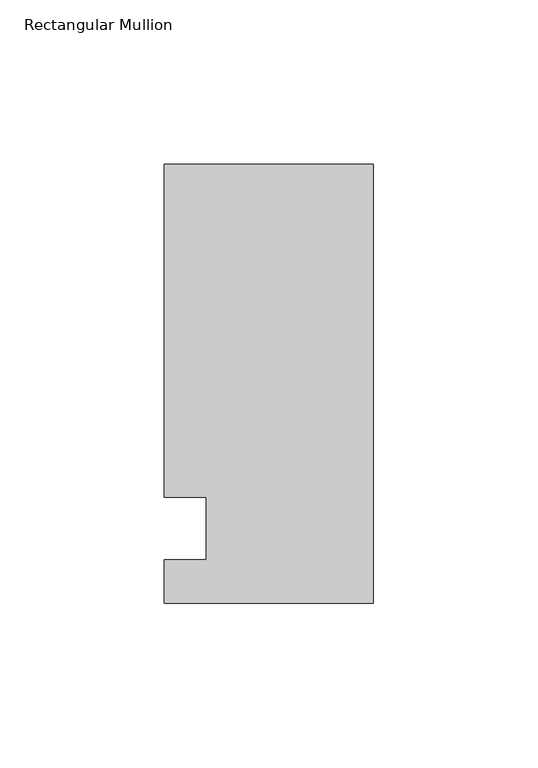
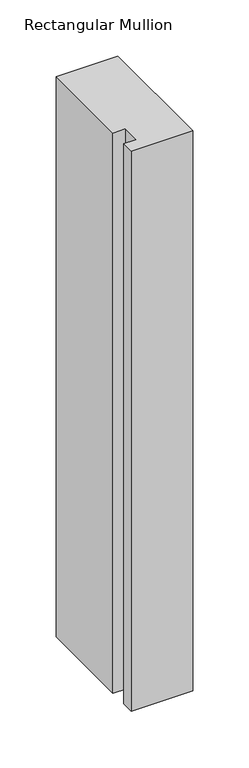
"""IFC4 building model written with IfcOpenShell, lengths in millimetres: member geometry, Rectangular Mullion."""

from ifc_helpers import new_model, si_unit, frame, origin, place, context, project, spatial, polyline, outline, extrude, source, transform, mapped, element, save


def rectangular_mullion_6edadd64(model_context):
    return source(origin(), model_context, "Body", "SweptSolid", [
        extrude(outline(polyline([(-63.5, 133.4396937), (0.0, 133.4396937), (0.0, 0.0134937), (-63.5, 0.0134937), (-63.5, 13.1960937), (-50.8, 13.1960937), (-50.8, 32.2460937), (-63.5, 32.2460938), (-63.5, 133.4396937)])), frame((0.0, 0.0, -609.6), z_axis=(0.0, 0.0, 1.0), x_axis=(1.0, 0.0, 0.0)), (0.0, 0.0, 1.0), 609.6),
    ])


if __name__ == "__main__":
    model = new_model("IFC4")
    model_context = context("Model", 3, world=origin())
    ifc_project = project(units=[si_unit("LENGTHUNIT", "METRE", prefix="MILLI")], contexts=[model_context])
    site = spatial("IfcSite", under=ifc_project)
    building = spatial("IfcBuilding", under=site)
    placement = place(None, origin())
    rectangular_mullion_shape = rectangular_mullion_6edadd64(model_context)
    element("IfcMember", 1, ObjectType="Rectangular Mullion", at=placement, inside=building, context=model_context, shape_type="MappedRepresentation", body=[
        mapped(rectangular_mullion_shape, transform((0.0, 0.0, 0.0), x_axis=(1.0, 0.0, 0.0), y_axis=(0.0, 1.0, 0.0), z_axis=(0.0, 0.0, 1.0))),
    ])
    save(model, "model.ifc")
